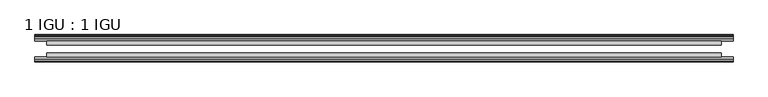
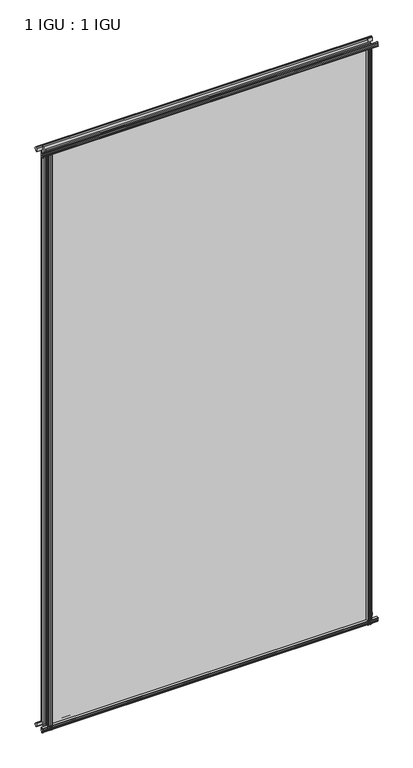
"""IFC4 building model written with IfcOpenShell, lengths in millimetres: plate geometry, 1 IGU : 1 IGU."""

import ifcopenshell
import ifcopenshell.guid

model = None  # the IFC model being written
_history = None  # IfcOwnerHistory: only IFC2X3 demands one
_inside = {}  # id of a spatial element -> (the spatial element, [elements in it])
_under = {}  # id of a project, library or spatial element -> (it, [spatial elements below it])
_declared = {}  # id of a project -> (the project, [libraries it declares])
_typed = {}  # id of a type object -> (the type object, [elements of that type])
_made_of = {}  # id of a material, layer set ... -> (it, [elements and type objects made of it])


def new_model(schema):
    """Start an empty IFC model of exactly this schema.

    Asked for "IFC4X3", IfcOpenShell would pick the latest addendum, in which some entities
    have other attributes; the version numbers below select the first issue.
    IFC2X3 requires an IfcOwnerHistory on every rooted entity: one is made here for all.
    """
    global model, _history
    if schema == "IFC4X3":
        model = ifcopenshell.file(schema_version=(4, 3, 0, 0))
    else:
        model = ifcopenshell.file(schema=schema)
    _inside.clear()
    _under.clear()
    _declared.clear()
    _typed.clear()
    _made_of.clear()
    _history = None
    if model.schema == "IFC2X3":
        org = make("IfcOrganization", Name="unknown")
        user = make(
            "IfcPersonAndOrganization",
            ThePerson=make("IfcPerson", FamilyName="unknown"),
            TheOrganization=org,
        )
        app = make(
            "IfcApplication",
            ApplicationDeveloper=org,
            Version="unknown",
            ApplicationFullName="unknown",
            ApplicationIdentifier="unknown",
        )
        _history = make(
            "IfcOwnerHistory",
            OwningUser=user,
            OwningApplication=app,
            ChangeAction="ADDED",
            CreationDate=0,
        )
    return model


def make(cls, **values):
    """One entity of the class cls with the attributes given. An attribute that is None is left unset."""
    return model.create_entity(
        cls, **{name: value for name, value in values.items() if value is not None}
    )


def rooted(cls, **values):
    """An entity with a GlobalId (a new one), such as an element, a storey or a relation."""
    return make(cls, GlobalId=ifcopenshell.guid.new(), OwnerHistory=_history, **values)


def si_unit(unit_type, name, prefix=None):
    """IfcSIUnit, for example si_unit("LENGTHUNIT", "METRE", prefix="MILLI")."""
    return make("IfcSIUnit", UnitType=unit_type, Prefix=prefix, Name=name)


def assignment(units):
    """IfcUnitAssignment: the units of a project."""
    return None if units is None else make("IfcUnitAssignment", Units=units)


def point(xyz):
    """IfcCartesianPoint."""
    return None if xyz is None else make("IfcCartesianPoint", Coordinates=xyz)


def direction(xyz):
    """IfcDirection."""
    return None if xyz is None else make("IfcDirection", DirectionRatios=xyz)


def frame(location, z_axis=None, x_axis=None):
    """IfcAxis2Placement3D, a coordinate frame: its origin and axes. An axis left out is left unset."""
    return make(
        "IfcAxis2Placement3D",
        Location=point(location),
        Axis=direction(z_axis),
        RefDirection=direction(x_axis),
    )


def frame_2d(location, x_axis=None):
    """IfcAxis2Placement2D, a coordinate frame in the plane: its origin and x axis."""
    return make(
        "IfcAxis2Placement2D", Location=point(location), RefDirection=direction(x_axis)
    )


def origin():
    """The frame at (0, 0, 0) with its axes left unset."""
    return frame((0.0, 0.0, 0.0))


def place(relative_to, where):
    """IfcLocalPlacement: puts the frame where relative to a parent placement (None: the world)."""
    return make(
        "IfcLocalPlacement", PlacementRelTo=relative_to, RelativePlacement=where
    )


def context(
    kind, dimensions, precision=None, world=None, true_north=None, identifier=None
):
    """IfcGeometricRepresentationContext, for example the 3D "Model" context."""
    return make(
        "IfcGeometricRepresentationContext",
        ContextIdentifier=identifier,
        ContextType=kind,
        CoordinateSpaceDimension=dimensions,
        Precision=precision,
        WorldCoordinateSystem=world,
        TrueNorth=true_north,
    )


def project(units=None, contexts=None):
    """IfcProject with its units and contexts."""
    return rooted(
        "IfcProject",
        Name="project",
        RepresentationContexts=contexts,
        UnitsInContext=assignment(units),
    )


def spatial(cls, under=None, at=None, **own):
    """A site, building, storey or space (cls), placed at a placement, below another one or the project."""
    s = rooted(cls, ObjectPlacement=at, **own)
    if under is not None:
        _under.setdefault(under.id(), (under, []))[1].append(s)
    return s


def polyline(points):
    """IfcPolyline through the points."""
    return make("IfcPolyline", Points=[point(p) for p in points])


def circle_curve(where, radius):
    """IfcCircle in the frame where."""
    return make("IfcCircle", Position=where, Radius=radius)


def trimmed(basis, trim1, trim2, sense, master):
    """IfcTrimmedCurve: the piece of a basis curve between two trims."""
    return make(
        "IfcTrimmedCurve",
        BasisCurve=basis,
        Trim1=trim1,
        Trim2=trim2,
        SenseAgreement=sense,
        MasterRepresentation=master,
    )


def segment(curve, same_sense, transition):
    """IfcCompositeCurveSegment."""
    return make(
        "IfcCompositeCurveSegment",
        Transition=transition,
        SameSense=same_sense,
        ParentCurve=curve,
    )


def composite_curve(segments, self_intersect=None):
    """IfcCompositeCurve: segments joined end to end."""
    return make("IfcCompositeCurve", Segments=segments, SelfIntersect=self_intersect)


def outline(outer, holes=None, kind="AREA"):
    """IfcArbitraryClosedProfileDef: a profile drawn as a closed curve; with holes, ...WithVoids."""
    if holes is None:
        return make("IfcArbitraryClosedProfileDef", ProfileType=kind, OuterCurve=outer)
    return make(
        "IfcArbitraryProfileDefWithVoids",
        ProfileType=kind,
        OuterCurve=outer,
        InnerCurves=holes,
    )


def extrude(swept, where, along, depth):
    """IfcExtrudedAreaSolid: the profile swept, set in the frame where, extruded along a direction by depth."""
    return make(
        "IfcExtrudedAreaSolid",
        SweptArea=swept,
        Position=where,
        ExtrudedDirection=direction(along),
        Depth=depth,
    )


def shape(context_of_items, identifier, shape_type, items):
    """IfcShapeRepresentation: the items that make up one representation, for example the "Body"."""
    return make(
        "IfcShapeRepresentation",
        ContextOfItems=context_of_items,
        RepresentationIdentifier=identifier,
        RepresentationType=shape_type,
        Items=items,
    )


def source(mapping_origin, context_of_items, identifier, shape_type, items):
    """IfcRepresentationMap: a shape defined once, which mapped items show again and again."""
    return make(
        "IfcRepresentationMap",
        MappingOrigin=mapping_origin,
        MappedRepresentation=shape(context_of_items, identifier, shape_type, items),
    )


def transform(
    local_origin,
    x_axis=None,
    y_axis=None,
    z_axis=None,
    scale=None,
    scale2=None,
    scale3=None,
    uniform=True,
):
    """IfcCartesianTransformationOperator3D, or its non-uniform kind. x_axis, y_axis, z_axis: its Axis1, 2, 3."""
    if uniform:
        return make(
            "IfcCartesianTransformationOperator3D",
            Axis1=direction(x_axis),
            Axis2=direction(y_axis),
            LocalOrigin=point(local_origin),
            Scale=scale,
            Axis3=direction(z_axis),
        )
    return make(
        "IfcCartesianTransformationOperator3DnonUniform",
        Axis1=direction(x_axis),
        Axis2=direction(y_axis),
        LocalOrigin=point(local_origin),
        Scale=scale,
        Axis3=direction(z_axis),
        Scale2=scale2,
        Scale3=scale3,
    )


def mapped(mapping_source, mapping_target):
    """IfcMappedItem: shows the shape of a source again, moved by a transform."""
    return make(
        "IfcMappedItem", MappingSource=mapping_source, MappingTarget=mapping_target
    )


def made_of(thing, what):
    """Note that an element or type object is made of a material, layer set ...; save() writes the relation."""
    if what is not None:
        _made_of.setdefault(what.id(), (what, []))[1].append(thing)
    return thing


def element(
    cls,
    number,
    at=None,
    inside=None,
    cuts=None,
    type_object=None,
    material=None,
    context=None,
    identifier="Body",
    shape_type=None,
    held_by="IfcProductDefinitionShape",
    body=None,
    shapes=None,
    **own,
):
    """One element of the class cls, such as IfcWall. Its Tag is "e" and its number.

    at: its placement. inside: the storey or other place that contains it. cuts: it is an
    opening in that element (IfcRelVoidsElement). A single representation is given by context,
    identifier, shape_type and body (its items); several are given by shapes. held_by: the class
    of the entity that holds the representations. save() writes the other relations.
    """
    e = rooted(cls, Tag="e%d" % number, ObjectPlacement=at, **own)
    if body is not None:
        shapes = [shape(context, identifier, shape_type, body)]
    if shapes is not None:
        e.Representation = make(held_by, Representations=shapes)
    if inside is not None:
        _inside.setdefault(inside.id(), (inside, []))[1].append(e)
    if cuts is not None:
        rooted(
            "IfcRelVoidsElement", RelatingBuildingElement=cuts, RelatedOpeningElement=e
        )
    if type_object is not None:
        _typed.setdefault(type_object.id(), (type_object, []))[1].append(e)
    return made_of(e, material)


def aggregate(whole, parts):
    """IfcRelAggregates: a whole, such as a stair, and the parts it consists of."""
    return rooted("IfcRelAggregates", RelatingObject=whole, RelatedObjects=parts)


def save(model, path):
    """Write the relations noted so far, then the file.

    IfcRelAggregates (storeys below a building ...), IfcRelContainedInSpatialStructure (elements
    in a storey), IfcRelDefinesByType, IfcRelAssociatesMaterial and IfcRelDeclares: one each for
    every whole, place, type object, material and project.
    """
    for whole, parts in _under.values():
        aggregate(whole, parts)
    for where, things in _inside.values():
        rooted(
            "IfcRelContainedInSpatialStructure",
            RelatedElements=things,
            RelatingStructure=where,
        )
    for kind, things in _typed.values():
        rooted("IfcRelDefinesByType", RelatedObjects=things, RelatingType=kind)
    for what, things in _made_of.values():
        rooted("IfcRelAssociatesMaterial", RelatedObjects=things, RelatingMaterial=what)
    for by, libraries in _declared.values():
        rooted("IfcRelDeclares", RelatingContext=by, RelatedDefinitions=libraries)
    model.write(path)


def plate_1_igu_1_igu_be934f43(model_context):
    return source(origin(), model_context, "Body", "SweptSolid", [
        extrude(outline(composite_curve([segment(polyline([(-46.2359545, 2001.8775265), (-46.2359545, 1990.8553092), (-53.3197108, 1992.2226185)]), True, "CONTINUOUS"), segment(trimmed(circle_curve(frame_2d((-53.1447545, 1993.2234413)), 1.016), [point((-53.3197108, 1992.2226185))], [point((-53.8888005, 1993.9152878))], False, "CARTESIAN"), True, "CONTINUOUS"), segment(polyline([(-53.8888005, 1993.9152878), (-52.5859205, 1993.7314413), (-52.5859205, 1999.1416413), (-54.0652165, 1999.4024811), (-52.5859205, 2001.9864413), (-52.5859205, 2005.1614413)]), True, "CONTINUOUS"), segment(trimmed(circle_curve(frame_2d((-51.3159205, 2005.1614413)), 1.27), [point((-52.5859205, 2005.1614413))], [point((-50.4178949, 2006.059467))], False, "CARTESIAN"), True, "CONTINUOUS"), segment(polyline([(-50.4178949, 2006.059467), (-46.2359545, 2001.8775265)]), True, "CONTINUOUS")], self_intersect=False)), frame((-552.9895183, 0.0, 0.0), z_axis=(1.0, 0.0, 0.0), x_axis=(0.0, 1.0, 0.0)), (0.0, 0.0, 1.0), 1105.9790366),
        extrude(outline(polyline([(-17.4323375, 2006.3139519), (-14.4859375, 2006.3139519), (-14.4859375, 2001.8689519), (-12.1057405, 2001.4879519), (-12.5656738, 2002.903481), (-11.7644596, 2002.903481), (-11.0569375, 2000.7259519), (-11.7644596, 1998.5484229), (-12.5656738, 1998.5484229), (-12.1057405, 1999.9639519), (-14.4859375, 1999.5829519), (-14.4859375, 1994.3759519), (-20.8359545, 1992.6582293), (-20.8359545, 2003.4795957), (-17.4323375, 2006.3139519)])), frame((-552.9895183, 0.0, 0.0), z_axis=(1.0, 0.0, 0.0), x_axis=(0.0, 1.0, 0.0)), (0.0, 0.0, 1.0), 1105.9790366),
        extrude(outline(polyline([(-20.8359545, 1.2049602), (-14.4859375, -0.5127625), (-14.4859375, -5.7197625), (-12.1057405, -6.1007625), (-12.5656738, -4.6852334), (-11.7644596, -4.6852334), (-11.0569375, -6.8627625), (-11.7644596, -9.0402916), (-12.5656738, -9.0402916), (-12.1057405, -7.6247625), (-14.4859375, -8.0057625), (-14.4859375, -12.4507625), (-17.4323375, -12.4507625), (-20.8359545, -9.6164062), (-20.8359545, 1.2049602)])), frame((-552.9895183, 0.0, 0.0), z_axis=(1.0, 0.0, 0.0), x_axis=(0.0, 1.0, 0.0)), (0.0, 0.0, 1.0), 1105.9790366),
        extrude(outline(composite_curve([segment(polyline([(-53.3197108, 1.6405709), (-46.2359545, 3.0078803), (-46.2359545, -8.014337), (-50.4178949, -12.1962775)]), True, "CONTINUOUS"), segment(trimmed(circle_curve(frame_2d((-51.3159205, -11.2982519)), 1.27), [point((-50.4178949, -12.1962775))], [point((-52.5859205, -11.2982519))], False, "CARTESIAN"), True, "CONTINUOUS"), segment(polyline([(-52.5859205, -11.2982519), (-52.5859205, -8.1232519), (-54.0652165, -5.5392917), (-52.5859205, -5.2784519), (-52.5859205, 0.1317481), (-53.8888005, -0.0520983)]), True, "CONTINUOUS"), segment(trimmed(circle_curve(frame_2d((-53.1447545, 0.6397481)), 1.016), [point((-53.8888005, -0.0520983))], [point((-53.3197108, 1.6405709))], False, "CARTESIAN"), True, "CONTINUOUS")], self_intersect=False)), frame((-552.9895183, 0.0, 0.0), z_axis=(1.0, 0.0, 0.0), x_axis=(0.0, 1.0, 0.0)), (0.0, 0.0, 1.0), 1105.9790366),
        extrude(outline(polyline([(-528.8889986, -12.1057405), (-530.3045276, -12.5656738), (-530.3045276, -11.7644596), (-528.1269986, -11.0569375), (-525.9494695, -11.7644596), (-525.9494695, -12.5656738), (-527.3649986, -12.1057405), (-526.9839986, -14.4859375), (-521.7769986, -14.4859375), (-520.0592805, -20.8359375), (-530.8806564, -20.8359375), (-533.7149986, -17.4323375), (-533.7149986, -14.4859375), (-529.2699986, -14.4859375), (-528.8889986, -12.1057405)])), frame((0.0, 0.0, -12.6752823), z_axis=(0.0, 0.0, 1.0), x_axis=(1.0, 0.0, 0.0)), (0.0, 0.0, 1.0), 2006.5384717),
        extrude(outline(composite_curve([segment(polyline([(-529.2785561, -46.2359375), (-518.2563525, -46.2359375), (-519.6236652, -53.3197108)]), True, "CONTINUOUS"), segment(trimmed(circle_curve(frame_2d((-520.624488, -53.1447545)), 1.016), [point((-519.6236652, -53.3197108))], [point((-521.3163344, -53.8888005))], False, "CARTESIAN"), True, "CONTINUOUS"), segment(polyline([(-521.3163344, -53.8888005), (-521.132488, -52.5859205), (-526.542688, -52.5859205), (-526.8035277, -54.0652165), (-529.387488, -52.5859205), (-532.562488, -52.5859205)]), True, "CONTINUOUS"), segment(trimmed(circle_curve(frame_2d((-532.562488, -51.3159205)), 1.27), [point((-532.562488, -52.5859205))], [point((-533.4605136, -50.4178949))], False, "CARTESIAN"), True, "CONTINUOUS"), segment(polyline([(-533.4605136, -50.4178949), (-529.2785561, -46.2359375)]), True, "CONTINUOUS")], self_intersect=False)), frame((0.0, 0.0, -12.6752823), z_axis=(0.0, 0.0, 1.0), x_axis=(1.0, 0.0, 0.0)), (0.0, 0.0, 1.0), 2006.5384717),
        extrude(outline(composite_curve([segment(polyline([(519.6236652, -53.3197108), (518.2563525, -46.2359375), (529.2785561, -46.2359375), (533.4605136, -50.4178949)]), True, "CONTINUOUS"), segment(trimmed(circle_curve(frame_2d((532.562488, -51.3159205)), 1.27), [point((533.4605136, -50.4178949))], [point((532.562488, -52.5859205))], False, "CARTESIAN"), True, "CONTINUOUS"), segment(polyline([(532.562488, -52.5859205), (529.387488, -52.5859205), (526.8035277, -54.0652165), (526.542688, -52.5859205), (521.132488, -52.5859205), (521.3554514, -53.8504091)]), True, "CONTINUOUS"), segment(trimmed(circle_curve(frame_2d((520.624488, -53.1447545)), 1.016), [point((521.3554514, -53.8504091))], [point((519.6236652, -53.3197108))], False, "CARTESIAN"), True, "CONTINUOUS")], self_intersect=False)), frame((0.0, 0.0, -12.6752823), z_axis=(0.0, 0.0, 1.0), x_axis=(1.0, 0.0, 0.0)), (0.0, 0.0, 1.0), 2006.5384717),
        extrude(outline(polyline([(525.9494695, -11.7644596), (528.1269986, -11.0569375), (530.3045276, -11.7644596), (530.3045276, -12.5656738), (528.8889986, -12.1057405), (529.2699986, -14.4859375), (533.7149986, -14.4859375), (533.7149986, -17.4323375), (530.8806564, -20.8359375), (520.0592805, -20.8359375), (521.7769986, -14.4859375), (526.9839986, -14.4859375), (527.3649986, -12.1057405), (525.9494695, -12.5656738), (525.9494695, -11.7644596)])), frame((0.0, 0.0, -12.6752823), z_axis=(0.0, 0.0, 1.0), x_axis=(1.0, 0.0, 0.0)), (0.0, 0.0, 1.0), 2006.5384717),
        extrude(outline(polyline([(533.9395183, -20.8359375), (533.9395183, -27.1859375), (-533.9395183, -27.1859375), (-533.9395183, -20.8359375), (533.9395183, -20.8359375)])), frame((0.0, 0.0, -12.6752823), z_axis=(0.0, 0.0, 1.0), x_axis=(1.0, 0.0, 0.0)), (0.0, 0.0, 1.0), 2019.213754),
        extrude(outline(polyline([(-533.9395183, -46.2359375), (-533.9395183, -39.8859375), (533.9395183, -39.8859375), (533.9395183, -46.2359375), (-533.9395183, -46.2359375)])), frame((0.0, 0.0, -12.6752823), z_axis=(0.0, 0.0, 1.0), x_axis=(1.0, 0.0, 0.0)), (0.0, 0.0, 1.0), 2019.213754),
    ])


if __name__ == "__main__":
    model = new_model("IFC4")
    model_context = context("Model", 3, world=origin())
    ifc_project = project(units=[si_unit("LENGTHUNIT", "METRE", prefix="MILLI")], contexts=[model_context])
    site = spatial("IfcSite", under=ifc_project)
    building = spatial("IfcBuilding", under=site)
    placement = place(None, origin())
    plate_1_igu_1_igu_shape = plate_1_igu_1_igu_be934f43(model_context)
    element("IfcPlate", 1, ObjectType="1 IGU : 1 IGU", at=placement, inside=building, context=model_context, shape_type="MappedRepresentation", body=[
        mapped(plate_1_igu_1_igu_shape, transform((0.0, 0.0, 0.0), x_axis=(1.0, 0.0, 0.0), y_axis=(0.0, 1.0, 0.0), z_axis=(0.0, 0.0, 1.0))),
    ])
    save(model, "model.ifc")
